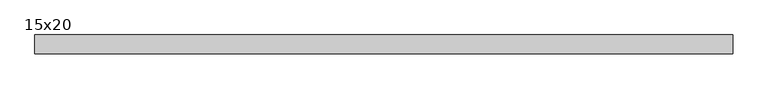
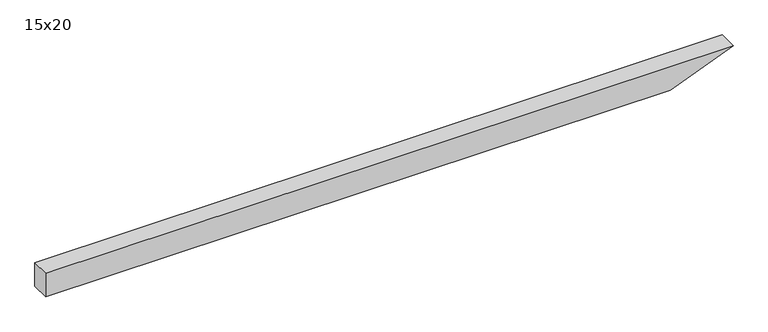
"""IFC4 building model written with IfcOpenShell, lengths in millimetres: beam geometry, 15x20."""

from ifc_helpers import new_model, si_unit, frame, origin, place, context, project, spatial, polyline, outline, extrude, source, transform, mapped, element, save


def beam_15x20_a689a70b(model_context):
    return source(origin(), model_context, "Body", "SweptSolid", [
        extrude(outline(polyline([(100.0, -2777.0), (-100.0, -2777.0), (-100.0, 2224.8), (100.0, 2727.0), (100.0, -2777.0)])), frame((0.0, -75.0, 0.0), z_axis=(0.0, 1.0, 0.0), x_axis=(0.0, 0.0, 1.0)), (0.0, 0.0, 1.0), 150.0),
    ])


if __name__ == "__main__":
    model = new_model("IFC4")
    model_context = context("Model", 3, world=origin())
    ifc_project = project(units=[si_unit("LENGTHUNIT", "METRE", prefix="MILLI")], contexts=[model_context])
    site = spatial("IfcSite", under=ifc_project)
    building = spatial("IfcBuilding", under=site)
    placement = place(None, origin())
    beam_15x20_shape = beam_15x20_a689a70b(model_context)
    element("IfcBeam", 1, ObjectType="15x20", at=placement, inside=building, context=model_context, shape_type="MappedRepresentation", body=[
        mapped(beam_15x20_shape, transform((0.0, 0.0, 0.0), x_axis=(1.0, 0.0, 0.0), y_axis=(0.0, 1.0, 0.0), z_axis=(0.0, 0.0, 1.0))),
    ])
    save(model, "model.ifc")
